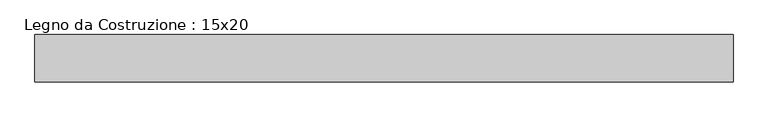
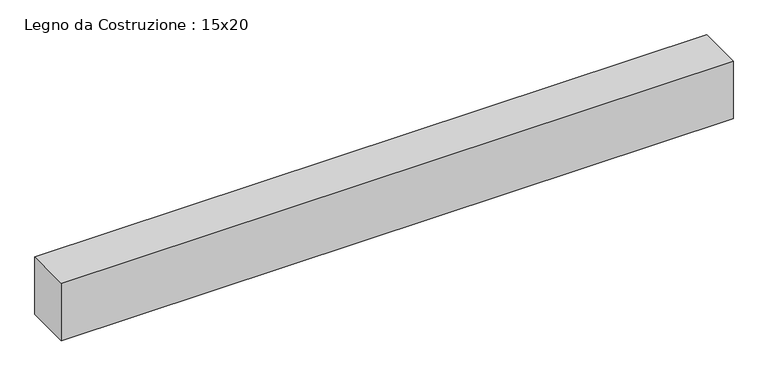
"""IFC4 building model written with IfcOpenShell, lengths in millimetres: beam geometry, Legno da Costruzione : 15x20."""

from ifc_helpers import new_model, si_unit, frame, origin, place, context, project, spatial, polyline, outline, extrude, source, transform, mapped, element, save


def legno_da_costruzione_15x20_585c040f(model_context):
    return source(origin(), model_context, "Body", "SweptSolid", [
        extrude(outline(polyline([(1198.5, 75.0), (1198.5, -75.0), (-1009.5, -75.0), (-1009.5, 75.0), (1198.5, 75.0)])), frame((0.0, 0.0, -100.0), z_axis=(0.0, 0.0, 1.0), x_axis=(1.0, 0.0, 0.0)), (0.0, 0.0, 1.0), 200.0),
    ])


if __name__ == "__main__":
    model = new_model("IFC4")
    model_context = context("Model", 3, world=origin())
    ifc_project = project(units=[si_unit("LENGTHUNIT", "METRE", prefix="MILLI")], contexts=[model_context])
    site = spatial("IfcSite", under=ifc_project)
    building = spatial("IfcBuilding", under=site)
    placement = place(None, origin())
    legno_da_costruzione_15x20_shape = legno_da_costruzione_15x20_585c040f(model_context)
    element("IfcBeam", 1, ObjectType="Legno da Costruzione : 15x20", at=placement, inside=building, context=model_context, shape_type="MappedRepresentation", body=[
        mapped(legno_da_costruzione_15x20_shape, transform((0.0, 0.0, 0.0), x_axis=(1.0, 0.0, 0.0), y_axis=(0.0, 1.0, 0.0), z_axis=(0.0, 0.0, 1.0))),
    ])
    save(model, "model.ifc")
